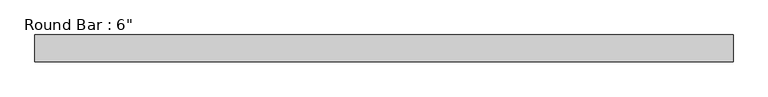
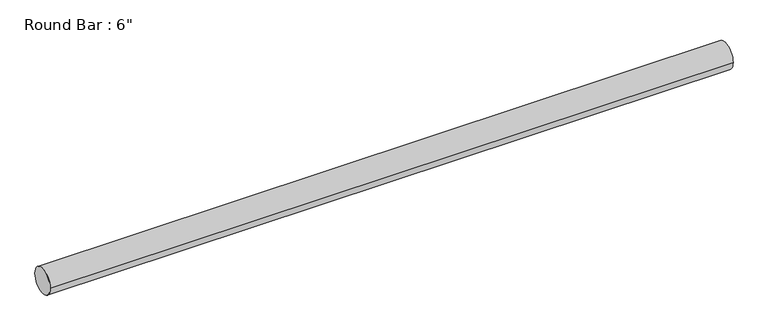
"""IFC4 building model written with IfcOpenShell, lengths in millimetres: beam geometry."""

from ifc_helpers import new_model, si_unit, point, frame, origin, origin_2d, place, context, project, spatial, circle_curve, trimmed, segment, composite_curve, outline, extrude, source, transform, mapped, element, save


def beam_a2783136(model_context):
    return source(origin(), model_context, "Body", "SweptSolid", [
        extrude(outline(composite_curve([segment(trimmed(circle_curve(origin_2d(), 76.2), [point((-76.2, 0.0))], [point((76.2, 0.0))], False, "CARTESIAN"), True, "CONTINUOUS"), segment(trimmed(circle_curve(origin_2d(), 76.2), [point((76.2, 0.0))], [point((-76.2, 0.0))], False, "CARTESIAN"), True, "CONTINUOUS")], self_intersect=False)), frame((-1979.8176415, 0.0, 0.0), z_axis=(1.0, 0.0, 0.0), x_axis=(0.0, 1.0, 0.0)), (0.0, 0.0, 1.0), 3934.2969526),
    ])


if __name__ == "__main__":
    model = new_model("IFC4")
    model_context = context("Model", 3, world=origin())
    ifc_project = project(units=[si_unit("LENGTHUNIT", "METRE", prefix="MILLI")], contexts=[model_context])
    site = spatial("IfcSite", under=ifc_project)
    building = spatial("IfcBuilding", under=site)
    placement = place(None, origin())
    beam_shape = beam_a2783136(model_context)
    element("IfcBeam", 1, ObjectType="Round Bar : 6\"", at=placement, inside=building, context=model_context, shape_type="MappedRepresentation", body=[
        mapped(beam_shape, transform((0.0, 0.0, 0.0), x_axis=(1.0, 0.0, 0.0), y_axis=(0.0, 1.0, 0.0), z_axis=(0.0, 0.0, 1.0))),
    ])
    save(model, "model.ifc")
